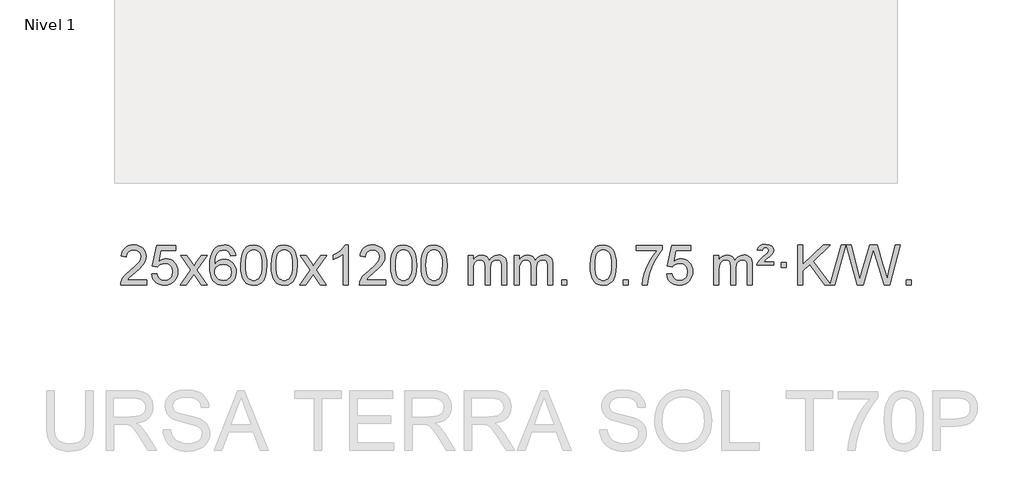
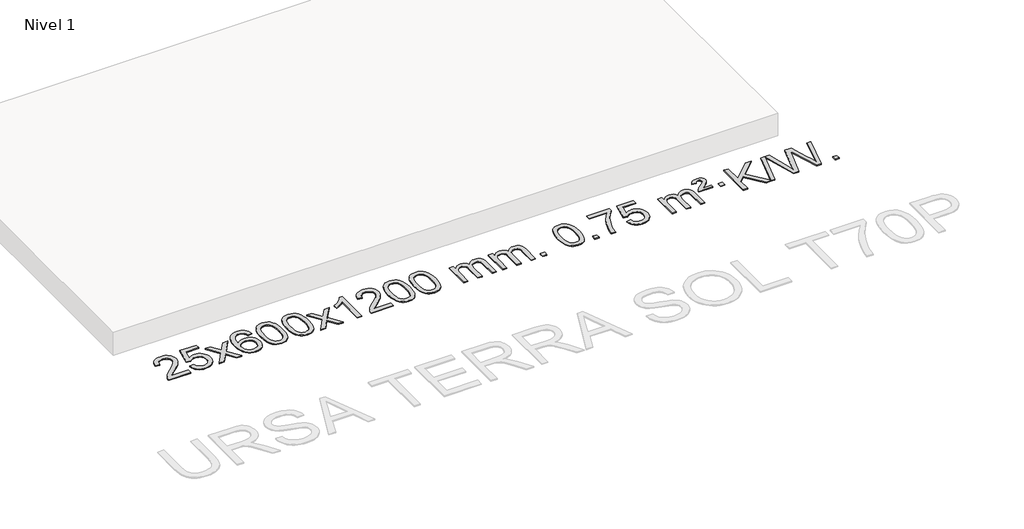
# One storey, part 2 of 2: 1 proxy.
"""IFC4 building model written with IfcOpenShell, lengths in millimetres."""

import ifcopenshell
import ifcopenshell.guid

model = None  # the IFC model being written
_history = None  # IfcOwnerHistory: only IFC2X3 demands one
_inside = {}  # id of a spatial element -> (the spatial element, [elements in it])
_under = {}  # id of a project, library or spatial element -> (it, [spatial elements below it])
_declared = {}  # id of a project -> (the project, [libraries it declares])
_typed = {}  # id of a type object -> (the type object, [elements of that type])
_made_of = {}  # id of a material, layer set ... -> (it, [elements and type objects made of it])


def new_model(schema):
    """Start an empty IFC model of exactly this schema.

    Asked for "IFC4X3", IfcOpenShell would pick the latest addendum, in which some entities
    have other attributes; the version numbers below select the first issue.
    IFC2X3 requires an IfcOwnerHistory on every rooted entity: one is made here for all.
    """
    global model, _history
    if schema == "IFC4X3":
        model = ifcopenshell.file(schema_version=(4, 3, 0, 0))
    else:
        model = ifcopenshell.file(schema=schema)
    _inside.clear()
    _under.clear()
    _declared.clear()
    _typed.clear()
    _made_of.clear()
    _history = None
    if model.schema == "IFC2X3":
        org = make("IfcOrganization", Name="unknown")
        user = make(
            "IfcPersonAndOrganization",
            ThePerson=make("IfcPerson", FamilyName="unknown"),
            TheOrganization=org,
        )
        app = make(
            "IfcApplication",
            ApplicationDeveloper=org,
            Version="unknown",
            ApplicationFullName="unknown",
            ApplicationIdentifier="unknown",
        )
        _history = make(
            "IfcOwnerHistory",
            OwningUser=user,
            OwningApplication=app,
            ChangeAction="ADDED",
            CreationDate=0,
        )
    return model


def make(cls, **values):
    """One entity of the class cls with the attributes given. An attribute that is None is left unset."""
    return model.create_entity(
        cls, **{name: value for name, value in values.items() if value is not None}
    )


def rooted(cls, **values):
    """An entity with a GlobalId (a new one), such as an element, a storey or a relation."""
    return make(cls, GlobalId=ifcopenshell.guid.new(), OwnerHistory=_history, **values)


def si_unit(unit_type, name, prefix=None):
    """IfcSIUnit, for example si_unit("LENGTHUNIT", "METRE", prefix="MILLI")."""
    return make("IfcSIUnit", UnitType=unit_type, Prefix=prefix, Name=name)


def assignment(units):
    """IfcUnitAssignment: the units of a project."""
    return None if units is None else make("IfcUnitAssignment", Units=units)


def point(xyz):
    """IfcCartesianPoint."""
    return None if xyz is None else make("IfcCartesianPoint", Coordinates=xyz)


def direction(xyz):
    """IfcDirection."""
    return None if xyz is None else make("IfcDirection", DirectionRatios=xyz)


def frame(location, z_axis=None, x_axis=None):
    """IfcAxis2Placement3D, a coordinate frame: its origin and axes. An axis left out is left unset."""
    return make(
        "IfcAxis2Placement3D",
        Location=point(location),
        Axis=direction(z_axis),
        RefDirection=direction(x_axis),
    )


def origin():
    """The frame at (0, 0, 0) with its axes left unset."""
    return frame((0.0, 0.0, 0.0))


def origin_with_axes():
    """The frame at (0, 0, 0) with the z axis (0, 0, 1) and the x axis (1, 0, 0) written out."""
    return frame((0.0, 0.0, 0.0), z_axis=(0.0, 0.0, 1.0), x_axis=(1.0, 0.0, 0.0))


def place(relative_to, where):
    """IfcLocalPlacement: puts the frame where relative to a parent placement (None: the world)."""
    return make(
        "IfcLocalPlacement", PlacementRelTo=relative_to, RelativePlacement=where
    )


def context(
    kind, dimensions, precision=None, world=None, true_north=None, identifier=None
):
    """IfcGeometricRepresentationContext, for example the 3D "Model" context."""
    return make(
        "IfcGeometricRepresentationContext",
        ContextIdentifier=identifier,
        ContextType=kind,
        CoordinateSpaceDimension=dimensions,
        Precision=precision,
        WorldCoordinateSystem=world,
        TrueNorth=true_north,
    )


def project(units=None, contexts=None):
    """IfcProject with its units and contexts."""
    return rooted(
        "IfcProject",
        Name="project",
        RepresentationContexts=contexts,
        UnitsInContext=assignment(units),
    )


def spatial(cls, under=None, at=None, **own):
    """A site, building, storey or space (cls), placed at a placement, below another one or the project."""
    s = rooted(cls, ObjectPlacement=at, **own)
    if under is not None:
        _under.setdefault(under.id(), (under, []))[1].append(s)
    return s


def polyline(points):
    """IfcPolyline through the points."""
    return make("IfcPolyline", Points=[point(p) for p in points])


def outline(outer, holes=None, kind="AREA"):
    """IfcArbitraryClosedProfileDef: a profile drawn as a closed curve; with holes, ...WithVoids."""
    if holes is None:
        return make("IfcArbitraryClosedProfileDef", ProfileType=kind, OuterCurve=outer)
    return make(
        "IfcArbitraryProfileDefWithVoids",
        ProfileType=kind,
        OuterCurve=outer,
        InnerCurves=holes,
    )


def extrude(swept, where, along, depth):
    """IfcExtrudedAreaSolid: the profile swept, set in the frame where, extruded along a direction by depth."""
    return make(
        "IfcExtrudedAreaSolid",
        SweptArea=swept,
        Position=where,
        ExtrudedDirection=direction(along),
        Depth=depth,
    )


def shape(context_of_items, identifier, shape_type, items):
    """IfcShapeRepresentation: the items that make up one representation, for example the "Body"."""
    return make(
        "IfcShapeRepresentation",
        ContextOfItems=context_of_items,
        RepresentationIdentifier=identifier,
        RepresentationType=shape_type,
        Items=items,
    )


def made_of(thing, what):
    """Note that an element or type object is made of a material, layer set ...; save() writes the relation."""
    if what is not None:
        _made_of.setdefault(what.id(), (what, []))[1].append(thing)
    return thing


def element(
    cls,
    number,
    at=None,
    inside=None,
    cuts=None,
    type_object=None,
    material=None,
    context=None,
    identifier="Body",
    shape_type=None,
    held_by="IfcProductDefinitionShape",
    body=None,
    shapes=None,
    **own,
):
    """One element of the class cls, such as IfcWall. Its Tag is "e" and its number.

    at: its placement. inside: the storey or other place that contains it. cuts: it is an
    opening in that element (IfcRelVoidsElement). A single representation is given by context,
    identifier, shape_type and body (its items); several are given by shapes. held_by: the class
    of the entity that holds the representations. save() writes the other relations.
    """
    e = rooted(cls, Tag="e%d" % number, ObjectPlacement=at, **own)
    if body is not None:
        shapes = [shape(context, identifier, shape_type, body)]
    if shapes is not None:
        e.Representation = make(held_by, Representations=shapes)
    if inside is not None:
        _inside.setdefault(inside.id(), (inside, []))[1].append(e)
    if cuts is not None:
        rooted(
            "IfcRelVoidsElement", RelatingBuildingElement=cuts, RelatedOpeningElement=e
        )
    if type_object is not None:
        _typed.setdefault(type_object.id(), (type_object, []))[1].append(e)
    return made_of(e, material)


def aggregate(whole, parts):
    """IfcRelAggregates: a whole, such as a stair, and the parts it consists of."""
    return rooted("IfcRelAggregates", RelatingObject=whole, RelatedObjects=parts)


def save(model, path):
    """Write the relations noted so far, then the file.

    IfcRelAggregates (storeys below a building ...), IfcRelContainedInSpatialStructure (elements
    in a storey), IfcRelDefinesByType, IfcRelAssociatesMaterial and IfcRelDeclares: one each for
    every whole, place, type object, material and project.
    """
    for whole, parts in _under.values():
        aggregate(whole, parts)
    for where, things in _inside.values():
        rooted(
            "IfcRelContainedInSpatialStructure",
            RelatedElements=things,
            RelatingStructure=where,
        )
    for kind, things in _typed.values():
        rooted("IfcRelDefinesByType", RelatedObjects=things, RelatingType=kind)
    for what, things in _made_of.values():
        rooted("IfcRelAssociatesMaterial", RelatedObjects=things, RelatingMaterial=what)
    for by, libraries in _declared.values():
        rooted("IfcRelDeclares", RelatingContext=by, RelatedDefinitions=libraries)
    model.write(path)


model = new_model("IFC4")

# Units and contexts
model_context = context("Model", 3, world=origin())
ifc_project = project(units=[si_unit("LENGTHUNIT", "METRE", prefix="MILLI")], contexts=[model_context])

# Site, building, storey
site = spatial("IfcSite", under=ifc_project)
building = spatial("IfcBuilding", under=site)
storey = spatial("IfcBuildingStorey", under=building, Name="Nivel 1", Elevation=0.0)

# Proxy
placement = place(None, origin())
element("IfcBuildingElementProxy", 1, Name="Texto de modelo 1", ObjectType="Texto de modelo 1", at=placement, inside=storey, context=model_context, shape_type="SweptSolid", body=[
    extrude(outline(polyline([(-19334.7371779, -12702.6823659), (-19334.7371779, -12752.910521), (-19598.434992, -12752.910521), (-19597.331346, -12735.2276597), (-19593.0393894, -12718.2805625), (-19580.6540289, -12691.2167104), (-19562.5297093, -12664.9621987), (-19536.3119857, -12637.4814136), (-19499.6464136, -12606.7387415), (-19445.4451329, -12558.5952511), (-19412.9243646, -12523.0578504), (-19396.6639804, -12494.215902), (-19391.2438523, -12466.1587685), (-19396.357412, -12441.0079027), (-19411.6980912, -12420.0999427), (-19435.2793271, -12406.0100622), (-19465.1145569, -12401.3134354), (-19496.4458402, -12405.8996976), (-19520.7873655, -12419.6584843), (-19536.4959267, -12441.5106748), (-19541.9283175, -12470.3771487), (-19592.1564726, -12464.0986293), (-19587.8369248, -12438.16908), (-19579.9795786, -12415.5136805), (-19568.5844338, -12396.1324307), (-19553.6514904, -12380.0253307), (-19535.5241051, -12367.3640587), (-19514.5456344, -12358.3202929), (-19490.7160781, -12352.8940335), (-19464.0354364, -12351.0852804), (-19437.1156714, -12353.0963686), (-19413.1573565, -12359.1296333), (-19392.1604916, -12369.1850745), (-19374.1250768, -12383.2626922), (-19359.6397232, -12400.3201541), (-19349.2930421, -12419.3151277), (-19343.0850335, -12440.2476133), (-19341.0156972, -12463.1176106), (-19343.2475147, -12487.1403049), (-19349.942967, -12510.7460663), (-19361.8255554, -12534.7564978), (-19379.6187813, -12559.9932027), (-19407.9824831, -12590.1227381), (-19451.5764995, -12628.8116613), (-19509.3584982, -12677.12683), (-19532.0200291, -12702.6823659), (-19334.7371779, -12702.6823659)])), origin_with_axes(), (0.0, 0.0, 1.0), 10.0),
    extrude(outline(polyline([(-19284.5090228, -12646.1756914), (-19234.2808677, -12639.897172), (-19225.0592924, -12670.0512329), (-19208.9705864, -12691.645906), (-19186.0883263, -12704.6321405), (-19156.4860885, -12708.9608853), (-19137.3562247, -12707.4556348), (-19120.4827039, -12702.9398833), (-19105.8655259, -12695.4136308), (-19093.5046909, -12684.8768773), (-19083.6761102, -12671.850789), (-19076.6556955, -12656.856532), (-19071.0393637, -12620.963512), (-19076.3000762, -12587.1674194), (-19082.8759669, -12573.2492173), (-19092.0822138, -12561.3175779), (-19103.9494739, -12551.7465146), (-19118.5084038, -12544.9100409), (-19155.7012735, -12539.4408619), (-19180.0673243, -12541.6236284), (-19199.798062, -12548.1719279), (-19215.5556741, -12558.2028437), (-19228.0023483, -12570.8334588), (-19278.2305034, -12564.5549394), (-19234.2808677, -12357.3637998), (-19039.6467668, -12357.3637998), (-19039.6467668, -12407.5919548), (-19193.6666954, -12407.5919548), (-19215.151004, -12518.250859), (-19197.4252232, -12505.5466674), (-19179.2702467, -12496.4722449), (-19160.6860746, -12491.0275913), (-19141.6727068, -12489.2127068), (-19117.2116198, -12491.4629184), (-19094.7432269, -12498.213553), (-19074.2675282, -12509.4646107), (-19055.7845236, -12525.2160914), (-19040.4836983, -12544.5053707), (-19029.5545374, -12566.3698239), (-19022.9970408, -12590.8094512), (-19020.8112086, -12617.8242523), (-19022.7793773, -12643.8457721), (-19028.6838833, -12668.0524074), (-19038.5247267, -12690.4441582), (-19052.3019074, -12711.0210244), (-19073.1730793, -12732.0945314), (-19097.5268674, -12747.1470364), (-19125.3632717, -12756.1785394), (-19156.6822922, -12759.1890403), (-19182.6026444, -12757.2545942), (-19206.0152677, -12751.4512557), (-19226.9201621, -12741.7790249), (-19245.3173276, -12728.2379018), (-19260.6242842, -12711.5023367), (-19272.2585523, -12692.24678), (-19280.2201318, -12670.4712315), (-19284.5090228, -12646.1756914)])), origin_with_axes(), (0.0, 0.0, 1.0), 10.0),
    extrude(outline(polyline([(-18995.6971311, -12752.910521), (-18888.3736904, -12604.5805005), (-18989.4186117, -12457.8201099), (-18928.9878626, -12457.8201099), (-18880.2312355, -12528.453453), (-18857.4716028, -12561.8080872), (-18837.7531278, -12534.5357686), (-18782.227472, -12457.8201099), (-18721.796723, -12457.8201099), (-18827.9429413, -12604.5805005), (-18725.7207976, -12752.910521), (-18786.1515466, -12752.910521), (-18847.6614162, -12663.7359253), (-18858.9431308, -12647.4510157), (-18935.266382, -12752.910521), (-18995.6971311, -12752.910521)])), origin_with_axes(), (0.0, 0.0, 1.0), 10.0),
    extrude(outline(polyline([(-18436.9089059, -12457.8201099), (-18487.137061, -12464.0986293), (-18495.2304649, -12439.2052809), (-18506.1688228, -12422.2091328), (-18528.9529811, -12406.5373598), (-18556.4950798, -12401.3134354), (-18579.8433237, -12404.3545933), (-18601.8181416, -12413.4780667), (-18620.6904879, -12432.6937696), (-18636.1047435, -12459.1444851), (-18646.515804, -12496.558084), (-18650.378565, -12548.6624372), (-18630.2308944, -12525.1547778), (-18606.0855727, -12508.5878252), (-18579.2915008, -12498.765376), (-18551.1975791, -12495.4912262), (-18527.0645202, -12497.729175), (-18504.7953967, -12504.4430214), (-18484.3902087, -12515.6327654), (-18465.8489562, -12531.2984071), (-18450.4408319, -12550.5079786), (-18439.4350289, -12572.3295123), (-18432.8315471, -12596.7630081), (-18430.6303865, -12623.8084661), (-18434.7751903, -12659.7750625), (-18447.2096018, -12693.117434), (-18466.9035512, -12721.3952967), (-18492.8269692, -12742.1683667), (-18523.8026332, -12754.9338719), (-18558.6533208, -12759.1890403), (-18588.5958496, -12756.3686117), (-18615.6382419, -12747.9073258), (-18639.7804978, -12733.8051827), (-18661.0226174, -12714.0621823), (-18678.3406623, -12687.8444588), (-18690.7106944, -12654.3181463), (-18698.1327136, -12613.4832448), (-18700.60672, -12565.3397544), (-18697.8598678, -12511.3653343), (-18689.6193111, -12465.3003771), (-18675.88505, -12427.1448829), (-18656.6570843, -12396.8988515), (-18635.8165693, -12376.8554141), (-18611.6528536, -12362.5386731), (-18584.1659372, -12353.9486286), (-18553.3558201, -12351.0852804), (-18530.222174, -12352.8572453), (-18509.2835571, -12358.1731401), (-18490.5399694, -12367.0329649), (-18473.991411, -12379.4367195), (-18460.0854716, -12394.967471), (-18449.2697409, -12413.2082866), (-18441.544219, -12434.1591662), (-18436.9089059, -12457.8201099)]), holes=[polyline([(-18650.378565, -12623.0236512), (-18647.4722972, -12645.2805119), (-18638.7534939, -12666.5318285), (-18625.2154365, -12684.8033009), (-18607.8514063, -12698.1206291), (-18586.8943953, -12706.2508212), (-18562.5773954, -12708.9608853), (-18529.4312277, -12703.3445535), (-18515.5160912, -12696.3241387), (-18503.3729197, -12686.4955581), (-18493.5228793, -12674.2573504), (-18486.4871361, -12660.0080544), (-18480.8585416, -12625.4761978), (-18486.4135597, -12592.3300301), (-18493.3573324, -12578.7091992), (-18503.0786141, -12567.056537), (-18515.2585738, -12557.7215314), (-18529.5783805, -12551.0536702), (-18564.6375346, -12545.7193813), (-18597.7346514, -12551.0536702), (-18625.4116402, -12567.056537), (-18636.3346698, -12578.555915), (-18644.1368338, -12591.7168934), (-18648.8181322, -12606.5394721), (-18650.378565, -12623.0236512)])]), origin_with_axes(), (0.0, 0.0, 1.0), 10.0),
    extrude(outline(polyline([(-18386.6807508, -12555.2352622), (-18382.9896681, -12490.9172267), (-18371.9164201, -12439.6222139), (-18353.5713712, -12400.5654087), (-18341.7133083, -12385.3320284), (-18328.0648862, -12372.9619963), (-18312.5801199, -12363.3909331), (-18295.2130241, -12356.5544594), (-18254.8318437, -12351.0852804), (-18223.8807052, -12354.3226419), (-18196.1669282, -12364.0347266), (-18172.9903625, -12379.8413897), (-18155.6508578, -12401.3624864), (-18142.5542588, -12428.4140758), (-18132.1064102, -12460.8122168), (-18125.263805, -12501.9536866), (-18122.9829367, -12555.2352622), (-18126.6372312, -12619.1854157), (-18137.6001146, -12670.3578012), (-18155.8347988, -12709.4513946), (-18167.6652707, -12724.7307601), (-18181.3044956, -12737.1651716), (-18196.8076561, -12746.8006142), (-18214.2299342, -12753.6830732), (-18254.8318437, -12759.1890403), (-18282.4965698, -12756.7978074), (-18307.0220361, -12749.6241085), (-18328.4082428, -12737.6679436), (-18346.6551897, -12720.9293129), (-18364.1663727, -12690.6710187), (-18376.6743605, -12652.9692456), (-18384.1791532, -12607.8239934), (-18386.6807508, -12555.2352622)]), holes=[polyline([(-18336.4525957, -12555.1371604), (-18334.9810678, -12598.8016875), (-18330.5664838, -12634.1459502), (-18323.2088439, -12661.1699484), (-18312.908148, -12679.8736822), (-18300.4492111, -12692.5993335), (-18286.6168481, -12701.6890845), (-18271.411059, -12707.1429351), (-18254.8318437, -12708.9608853), (-18238.2526285, -12707.1368037), (-18223.0468394, -12701.664559), (-18209.2144763, -12692.5441512), (-18196.7555394, -12679.7755803), (-18186.4548436, -12661.0411897), (-18179.0972037, -12634.0233229), (-18174.6826197, -12598.7219797), (-18173.2110917, -12555.1371604), (-18174.6335688, -12512.6283958), (-18178.9009999, -12477.9064668), (-18186.0133852, -12450.9713734), (-18195.9707245, -12431.8231156), (-18208.221195, -12418.4751305), (-18222.2129735, -12408.9408555), (-18237.9460602, -12403.2202904), (-18255.4204549, -12401.3134354), (-18271.9138311, -12402.9934299), (-18286.8621028, -12408.0334132), (-18300.2652701, -12416.4333854), (-18312.1233331, -12428.1933466), (-18322.7673855, -12449.0399929), (-18330.3702801, -12477.1461774), (-18334.9320168, -12512.5118998), (-18336.4525957, -12555.1371604)])]), origin_with_axes(), (0.0, 0.0, 1.0), 10.0),
    extrude(outline(polyline([(-18079.033301, -12555.2352622), (-18075.3422183, -12490.9172267), (-18064.2689702, -12439.6222139), (-18045.9239214, -12400.5654087), (-18034.0658584, -12385.3320284), (-18020.4174364, -12372.9619963), (-18004.9326701, -12363.3909331), (-17987.5655742, -12356.5544594), (-17947.1843939, -12351.0852804), (-17916.2332554, -12354.3226419), (-17888.5194784, -12364.0347266), (-17865.3429127, -12379.8413897), (-17848.003408, -12401.3624864), (-17834.906809, -12428.4140758), (-17824.4589603, -12460.8122168), (-17817.6163552, -12501.9536866), (-17815.3354868, -12555.2352622), (-17818.9897813, -12619.1854157), (-17829.9526648, -12670.3578012), (-17848.187349, -12709.4513946), (-17860.0178208, -12724.7307601), (-17873.6570458, -12737.1651716), (-17889.1602062, -12746.8006142), (-17906.5824844, -12753.6830732), (-17947.1843939, -12759.1890403), (-17974.8491199, -12756.7978074), (-17999.3745863, -12749.6241085), (-18020.7607929, -12737.6679436), (-18039.0077399, -12720.9293129), (-18056.5189229, -12690.6710187), (-18069.0269107, -12652.9692456), (-18076.5317034, -12607.8239934), (-18079.033301, -12555.2352622)]), holes=[polyline([(-18028.8051459, -12555.1371604), (-18027.3336179, -12598.8016875), (-18022.919034, -12634.1459502), (-18015.5613941, -12661.1699484), (-18005.2606982, -12679.8736822), (-17992.8017613, -12692.5993335), (-17978.9693983, -12701.6890845), (-17963.7636092, -12707.1429351), (-17947.1843939, -12708.9608853), (-17930.6051787, -12707.1368037), (-17915.3993895, -12701.664559), (-17901.5670265, -12692.5441512), (-17889.1080896, -12679.7755803), (-17878.8073937, -12661.0411897), (-17871.4497538, -12634.0233229), (-17867.0351699, -12598.7219797), (-17865.5636419, -12555.1371604), (-17866.986119, -12512.6283958), (-17871.2535501, -12477.9064668), (-17878.3659353, -12450.9713734), (-17888.3232747, -12431.8231156), (-17900.5737451, -12418.4751305), (-17914.5655237, -12408.9408555), (-17930.2986103, -12403.2202904), (-17947.7730051, -12401.3134354), (-17964.2663812, -12402.9934299), (-17979.214653, -12408.0334132), (-17992.6178203, -12416.4333854), (-18004.4758833, -12428.1933466), (-18015.1199357, -12449.0399929), (-18022.7228303, -12477.1461774), (-18027.284567, -12512.5118998), (-18028.8051459, -12555.1371604)])]), origin_with_axes(), (0.0, 0.0, 1.0), 10.0),
    extrude(outline(polyline([(-17790.2214093, -12752.910521), (-17682.8979686, -12604.5805005), (-17783.9428899, -12457.8201099), (-17723.5121408, -12457.8201099), (-17674.7555137, -12528.453453), (-17651.995881, -12561.8080872), (-17632.277406, -12534.5357686), (-17576.7517502, -12457.8201099), (-17516.3210012, -12457.8201099), (-17622.4672195, -12604.5805005), (-17520.2450758, -12752.910521), (-17580.6758248, -12752.910521), (-17642.1856944, -12663.7359253), (-17653.467409, -12647.4510157), (-17729.7906602, -12752.910521), (-17790.2214093, -12752.910521)])), origin_with_axes(), (0.0, 0.0, 1.0), 10.0),
    extrude(outline(polyline([(-17300.4968973, -12752.910521), (-17350.7250524, -12752.910521), (-17350.7250524, -12439.7693667), (-17371.6943261, -12456.7287266), (-17398.3044571, -12473.6635612), (-17451.1813625, -12499.0228934), (-17451.1813625, -12451.5415905), (-17411.7321499, -12430.0818075), (-17377.5559126, -12404.550797), (-17350.6146878, -12377.4011058), (-17332.8705129, -12351.0852804), (-17300.4968973, -12351.0852804), (-17300.4968973, -12752.910521)])), origin_with_axes(), (0.0, 0.0, 1.0), 10.0),
    extrude(outline(polyline([(-16923.7857343, -12702.6823659), (-16923.7857343, -12752.910521), (-17187.4835484, -12752.910521), (-17186.3799024, -12735.2276597), (-17182.0879458, -12718.2805625), (-17169.7025853, -12691.2167104), (-17151.5782657, -12664.9621987), (-17125.3605422, -12637.4814136), (-17088.69497, -12606.7387415), (-17034.4936893, -12558.5952511), (-17001.972921, -12523.0578504), (-16985.7125368, -12494.215902), (-16980.2924087, -12466.1587685), (-16985.4059685, -12441.0079027), (-17000.7466477, -12420.0999427), (-17024.3278835, -12406.0100622), (-17054.1631134, -12401.3134354), (-17085.4943966, -12405.8996976), (-17109.835922, -12419.6584843), (-17125.5444831, -12441.5106748), (-17130.9768739, -12470.3771487), (-17181.205029, -12464.0986293), (-17176.8854813, -12438.16908), (-17169.028135, -12415.5136805), (-17157.6329902, -12396.1324307), (-17142.7000469, -12380.0253307), (-17124.5726615, -12367.3640587), (-17103.5941908, -12358.3202929), (-17079.7646345, -12352.8940335), (-17053.0839928, -12351.0852804), (-17026.1642278, -12353.0963686), (-17002.2059129, -12359.1296333), (-16981.209048, -12369.1850745), (-16963.1736332, -12383.2626922), (-16948.6882797, -12400.3201541), (-16938.3415985, -12419.3151277), (-16932.1335899, -12440.2476133), (-16930.0642536, -12463.1176106), (-16932.2960711, -12487.1403049), (-16938.9915234, -12510.7460663), (-16950.8741118, -12534.7564978), (-16968.6673377, -12559.9932027), (-16997.0310395, -12590.1227381), (-17040.6250559, -12628.8116613), (-17098.4070546, -12677.12683), (-17121.0685855, -12702.6823659), (-16923.7857343, -12702.6823659)])), origin_with_axes(), (0.0, 0.0, 1.0), 10.0),
    extrude(outline(polyline([(-16873.5575792, -12555.2352622), (-16869.8664965, -12490.9172267), (-16858.7932484, -12439.6222139), (-16840.4481996, -12400.5654087), (-16828.5901366, -12385.3320284), (-16814.9417146, -12372.9619963), (-16799.4569483, -12363.3909331), (-16782.0898525, -12356.5544594), (-16741.7086721, -12351.0852804), (-16710.7575336, -12354.3226419), (-16683.0437566, -12364.0347266), (-16659.8671909, -12379.8413897), (-16642.5276862, -12401.3624864), (-16629.4310872, -12428.4140758), (-16618.9832385, -12460.8122168), (-16612.1406334, -12501.9536866), (-16609.859765, -12555.2352622), (-16613.5140595, -12619.1854157), (-16624.476943, -12670.3578012), (-16642.7116272, -12709.4513946), (-16654.542099, -12724.7307601), (-16668.181324, -12737.1651716), (-16683.6844844, -12746.8006142), (-16701.1067626, -12753.6830732), (-16741.7086721, -12759.1890403), (-16769.3733982, -12756.7978074), (-16793.8988645, -12749.6241085), (-16815.2850712, -12737.6679436), (-16833.5320181, -12720.9293129), (-16851.0432011, -12690.6710187), (-16863.5511889, -12652.9692456), (-16871.0559816, -12607.8239934), (-16873.5575792, -12555.2352622)]), holes=[polyline([(-16823.3294241, -12555.1371604), (-16821.8578961, -12598.8016875), (-16817.4433122, -12634.1459502), (-16810.0856723, -12661.1699484), (-16799.7849764, -12679.8736822), (-16787.3260395, -12692.5993335), (-16773.4936765, -12701.6890845), (-16758.2878874, -12707.1429351), (-16741.7086721, -12708.9608853), (-16725.1294569, -12707.1368037), (-16709.9236677, -12701.664559), (-16696.0913047, -12692.5441512), (-16683.6323678, -12679.7755803), (-16673.3316719, -12661.0411897), (-16665.974032, -12634.0233229), (-16661.5594481, -12598.7219797), (-16660.0879201, -12555.1371604), (-16661.5103972, -12512.6283958), (-16665.7778283, -12477.9064668), (-16672.8902136, -12450.9713734), (-16682.8475529, -12431.8231156), (-16695.0980233, -12418.4751305), (-16709.0898019, -12408.9408555), (-16724.8228885, -12403.2202904), (-16742.2972833, -12401.3134354), (-16758.7906594, -12402.9934299), (-16773.7389312, -12408.0334132), (-16787.1420985, -12416.4333854), (-16799.0001615, -12428.1933466), (-16809.6442139, -12449.0399929), (-16817.2471085, -12477.1461774), (-16821.8088452, -12512.5118998), (-16823.3294241, -12555.1371604)])]), origin_with_axes(), (0.0, 0.0, 1.0), 10.0),
    extrude(outline(polyline([(-16565.9101294, -12555.2352622), (-16562.2190467, -12490.9172267), (-16551.1457986, -12439.6222139), (-16532.8007498, -12400.5654087), (-16520.9426868, -12385.3320284), (-16507.2942648, -12372.9619963), (-16491.8094985, -12363.3909331), (-16474.4424026, -12356.5544594), (-16434.0612223, -12351.0852804), (-16403.1100838, -12354.3226419), (-16375.3963068, -12364.0347266), (-16352.2197411, -12379.8413897), (-16334.8802364, -12401.3624864), (-16321.7836374, -12428.4140758), (-16311.3357887, -12460.8122168), (-16304.4931836, -12501.9536866), (-16302.2123152, -12555.2352622), (-16305.8666097, -12619.1854157), (-16316.8294932, -12670.3578012), (-16335.0641774, -12709.4513946), (-16346.8946492, -12724.7307601), (-16360.5338742, -12737.1651716), (-16376.0370346, -12746.8006142), (-16393.4593127, -12753.6830732), (-16434.0612223, -12759.1890403), (-16461.7259483, -12756.7978074), (-16486.2514147, -12749.6241085), (-16507.6376213, -12737.6679436), (-16525.8845683, -12720.9293129), (-16543.3957512, -12690.6710187), (-16555.9037391, -12652.9692456), (-16563.4085318, -12607.8239934), (-16565.9101294, -12555.2352622)]), holes=[polyline([(-16515.6819743, -12555.1371604), (-16514.2104463, -12598.8016875), (-16509.7958624, -12634.1459502), (-16502.4382225, -12661.1699484), (-16492.1375266, -12679.8736822), (-16479.6785897, -12692.5993335), (-16465.8462267, -12701.6890845), (-16450.6404375, -12707.1429351), (-16434.0612223, -12708.9608853), (-16417.482007, -12707.1368037), (-16402.2762179, -12701.664559), (-16388.4438549, -12692.5441512), (-16375.984918, -12679.7755803), (-16365.6842221, -12661.0411897), (-16358.3265822, -12634.0233229), (-16353.9119983, -12598.7219797), (-16352.4404703, -12555.1371604), (-16353.8629473, -12512.6283958), (-16358.1303785, -12477.9064668), (-16365.2427637, -12450.9713734), (-16375.2001031, -12431.8231156), (-16387.4505735, -12418.4751305), (-16401.442352, -12408.9408555), (-16417.1754387, -12403.2202904), (-16434.6498335, -12401.3134354), (-16451.1432096, -12402.9934299), (-16466.0914813, -12408.0334132), (-16479.4946487, -12416.4333854), (-16491.3527117, -12428.1933466), (-16501.9967641, -12449.0399929), (-16509.5996586, -12477.1461774), (-16514.1613954, -12512.5118998), (-16515.6819743, -12555.1371604)])]), origin_with_axes(), (0.0, 0.0, 1.0), 10.0),
    extrude(outline(polyline([(-16088.7426561, -12752.910521), (-16088.7426561, -12457.8201099), (-16038.5145011, -12457.8201099), (-16038.5145011, -12506.3805333), (-16023.4068138, -12484.0746216), (-16003.9826445, -12466.6002269), (-15980.9041806, -12455.3062496), (-15954.8336099, -12451.5415905), (-15926.8991037, -12455.379826), (-15904.507353, -12466.8945324), (-15887.7809849, -12485.3254204), (-15876.8426269, -12509.9122004), (-15858.5343663, -12484.3750586), (-15837.6509317, -12466.134243), (-15814.1923231, -12455.1897536), (-15788.1585406, -12451.5415905), (-15768.0507239, -12453.0591037), (-15750.4015852, -12457.6116434), (-15735.2111245, -12465.1992096), (-15722.4793417, -12475.8218022), (-15712.4147035, -12489.6020486), (-15705.2256762, -12506.6625761), (-15700.9122598, -12527.0033848), (-15699.4744543, -12550.6244745), (-15699.4744543, -12752.910521), (-15749.7026094, -12752.910521), (-15749.7026094, -12572.2068849), (-15750.867569, -12547.1541211), (-15754.362448, -12530.2683375), (-15760.9107475, -12518.7045801), (-15771.2359688, -12509.6178948), (-15784.5165089, -12503.7317829), (-15799.9307645, -12501.7697456), (-15827.1417694, -12506.7974662), (-15849.3250537, -12521.880628), (-15857.9304267, -12533.4505167), (-15864.0771217, -12548.0493006), (-15868.9944777, -12586.3335535), (-15868.9944777, -12752.910521), (-15919.2226328, -12752.910521), (-15919.2226328, -12566.6150786), (-15922.1289005, -12538.2145886), (-15930.8477038, -12517.9565534), (-15946.188383, -12505.8164475), (-15968.9602785, -12501.7697456), (-15988.3108715, -12504.4675469), (-16006.1408855, -12512.5609508), (-16020.8561653, -12525.8537535), (-16030.8625556, -12544.1497514), (-16036.6015147, -12569.5336091), (-16038.5145011, -12604.0899912), (-16038.5145011, -12752.910521), (-16088.7426561, -12752.910521)])), origin_with_axes(), (0.0, 0.0, 1.0), 10.0),
    extrude(outline(polyline([(-15624.1322217, -12752.910521), (-15624.1322217, -12457.8201099), (-15573.9040666, -12457.8201099), (-15573.9040666, -12506.3805333), (-15558.7963794, -12484.0746216), (-15539.37221, -12466.6002269), (-15516.2937462, -12455.3062496), (-15490.2231755, -12451.5415905), (-15462.2886693, -12455.379826), (-15439.8969185, -12466.8945324), (-15423.1705505, -12485.3254204), (-15412.2321925, -12509.9122004), (-15393.9239319, -12484.3750586), (-15373.0404973, -12466.134243), (-15349.5818887, -12455.1897536), (-15323.5481062, -12451.5415905), (-15303.4402895, -12453.0591037), (-15285.7911507, -12457.6116434), (-15270.60069, -12465.1992096), (-15257.8689073, -12475.8218022), (-15247.8042691, -12489.6020486), (-15240.6152417, -12506.6625761), (-15236.3018253, -12527.0033848), (-15234.8640199, -12550.6244745), (-15234.8640199, -12752.910521), (-15285.0921749, -12752.910521), (-15285.0921749, -12572.2068849), (-15286.2571346, -12547.1541211), (-15289.7520136, -12530.2683375), (-15296.3003131, -12518.7045801), (-15306.6255344, -12509.6178948), (-15319.9060744, -12503.7317829), (-15335.32033, -12501.7697456), (-15362.5313349, -12506.7974662), (-15384.7146192, -12521.880628), (-15393.3199922, -12533.4505167), (-15399.4666872, -12548.0493006), (-15404.3840432, -12586.3335535), (-15404.3840432, -12752.910521), (-15454.6121983, -12752.910521), (-15454.6121983, -12566.6150786), (-15457.5184661, -12538.2145886), (-15466.2372694, -12517.9565534), (-15481.5779486, -12505.8164475), (-15504.3498441, -12501.7697456), (-15523.700437, -12504.4675469), (-15541.5304511, -12512.5609508), (-15556.2457309, -12525.8537535), (-15566.2521211, -12544.1497514), (-15571.9910803, -12569.5336091), (-15573.9040666, -12604.0899912), (-15573.9040666, -12752.910521), (-15624.1322217, -12752.910521)])), origin_with_axes(), (0.0, 0.0, 1.0), 10.0),
    extrude(outline(polyline([(-15146.9647485, -12752.910521), (-15146.9647485, -12702.6823659), (-15096.7365934, -12702.6823659), (-15096.7365934, -12752.910521), (-15146.9647485, -12752.910521)])), origin_with_axes(), (0.0, 0.0, 1.0), 10.0),
    extrude(outline(polyline([(-14858.1528568, -12555.2352622), (-14854.4617741, -12490.9172267), (-14843.3885261, -12439.6222139), (-14825.0434772, -12400.5654087), (-14813.1854143, -12385.3320284), (-14799.5369922, -12372.9619963), (-14784.0522259, -12363.3909331), (-14766.6851301, -12356.5544594), (-14726.3039497, -12351.0852804), (-14695.3528112, -12354.3226419), (-14667.6390342, -12364.0347266), (-14644.4624685, -12379.8413897), (-14627.1229638, -12401.3624864), (-14614.0263648, -12428.4140758), (-14603.5785161, -12460.8122168), (-14596.735911, -12501.9536866), (-14594.4550427, -12555.2352622), (-14598.1093372, -12619.1854157), (-14609.0722206, -12670.3578012), (-14627.3069048, -12709.4513946), (-14639.1373767, -12724.7307601), (-14652.7766016, -12737.1651716), (-14668.279762, -12746.8006142), (-14685.7020402, -12753.6830732), (-14726.3039497, -12759.1890403), (-14753.9686758, -12756.7978074), (-14778.4941421, -12749.6241085), (-14799.8803488, -12737.6679436), (-14818.1272957, -12720.9293129), (-14835.6384787, -12690.6710187), (-14848.1464665, -12652.9692456), (-14855.6512592, -12607.8239934), (-14858.1528568, -12555.2352622)]), holes=[polyline([(-14807.9247017, -12555.1371604), (-14806.4531738, -12598.8016875), (-14802.0385898, -12634.1459502), (-14794.6809499, -12661.1699484), (-14784.380254, -12679.8736822), (-14771.9213171, -12692.5993335), (-14758.0889541, -12701.6890845), (-14742.883165, -12707.1429351), (-14726.3039497, -12708.9608853), (-14709.7247345, -12707.1368037), (-14694.5189454, -12701.664559), (-14680.6865823, -12692.5441512), (-14668.2276454, -12679.7755803), (-14657.9269496, -12661.0411897), (-14650.5693097, -12634.0233229), (-14646.1547257, -12598.7219797), (-14644.6831977, -12555.1371604), (-14646.1056748, -12512.6283958), (-14650.3731059, -12477.9064668), (-14657.4854912, -12450.9713734), (-14667.4428305, -12431.8231156), (-14679.6933009, -12418.4751305), (-14693.6850795, -12408.9408555), (-14709.4181662, -12403.2202904), (-14726.8925609, -12401.3134354), (-14743.385937, -12402.9934299), (-14758.3342088, -12408.0334132), (-14771.7373761, -12416.4333854), (-14783.5954391, -12428.1933466), (-14794.2394915, -12449.0399929), (-14801.8423861, -12477.1461774), (-14806.4041228, -12512.5118998), (-14807.9247017, -12555.1371604)])]), origin_with_axes(), (0.0, 0.0, 1.0), 10.0),
    extrude(outline(polyline([(-14525.3913294, -12752.910521), (-14525.3913294, -12702.6823659), (-14475.1631744, -12702.6823659), (-14475.1631744, -12752.910521), (-14525.3913294, -12752.910521)])), origin_with_axes(), (0.0, 0.0, 1.0), 10.0),
    extrude(outline(polyline([(-14393.5424224, -12407.5919548), (-14393.5424224, -12357.3637998), (-14129.8446082, -12357.3637998), (-14129.8446082, -12397.977972), (-14167.4298854, -12445.545114), (-14204.6472806, -12506.0371767), (-14237.4746173, -12573.9359303), (-14261.889719, -12643.7231448), (-14273.8581466, -12695.9378626), (-14280.5290734, -12752.910521), (-14330.7572285, -12752.910521), (-14325.3248377, -12701.1372615), (-14310.7934989, -12639.6028664), (-14287.5556196, -12574.3773887), (-14256.0036071, -12511.5308812), (-14219.1663567, -12454.7176384), (-14180.0727633, -12407.5919548), (-14393.5424224, -12407.5919548)])), origin_with_axes(), (0.0, 0.0, 1.0), 10.0),
    extrude(outline(polyline([(-14085.8949725, -12646.1756914), (-14035.6668175, -12639.897172), (-14026.4452421, -12670.0512329), (-14010.3565362, -12691.645906), (-13987.4742761, -12704.6321405), (-13957.8720382, -12708.9608853), (-13938.7421745, -12707.4556348), (-13921.8686536, -12702.9398833), (-13907.2514757, -12695.4136308), (-13894.8906406, -12684.8768773), (-13885.06206, -12671.850789), (-13878.0416453, -12656.856532), (-13872.4253135, -12620.963512), (-13877.686026, -12587.1674194), (-13884.2619167, -12573.2492173), (-13893.4681636, -12561.3175779), (-13905.3354236, -12551.7465146), (-13919.8943536, -12544.9100409), (-13957.0872233, -12539.4408619), (-13981.4532741, -12541.6236284), (-14001.1840118, -12548.1719279), (-14016.9416239, -12558.2028437), (-14029.3882981, -12570.8334588), (-14079.6164532, -12564.5549394), (-14035.6668175, -12357.3637998), (-13841.0327165, -12357.3637998), (-13841.0327165, -12407.5919548), (-13995.0526452, -12407.5919548), (-14016.5369537, -12518.250859), (-13998.8111729, -12505.5466674), (-13980.6561964, -12496.4722449), (-13962.0720243, -12491.0275913), (-13943.0586565, -12489.2127068), (-13918.5975695, -12491.4629184), (-13896.1291767, -12498.213553), (-13875.653478, -12509.4646107), (-13857.1704734, -12525.2160914), (-13841.8696481, -12544.5053707), (-13830.9404871, -12566.3698239), (-13824.3829906, -12590.8094512), (-13822.1971584, -12617.8242523), (-13824.1653271, -12643.8457721), (-13830.0698331, -12668.0524074), (-13839.9106765, -12690.4441582), (-13853.6878572, -12711.0210244), (-13874.559029, -12732.0945314), (-13898.9128171, -12747.1470364), (-13926.7492214, -12756.1785394), (-13958.0682419, -12759.1890403), (-13983.9885942, -12757.2545942), (-14007.4012175, -12751.4512557), (-14028.3061119, -12741.7790249), (-14046.7032773, -12728.2379018), (-14062.010234, -12711.5023367), (-14073.6445021, -12692.24678), (-14081.6060816, -12670.4712315), (-14085.8949725, -12646.1756914)])), origin_with_axes(), (0.0, 0.0, 1.0), 10.0),
    extrude(outline(polyline([(-13608.7274993, -12752.910521), (-13608.7274993, -12457.8201099), (-13558.4993442, -12457.8201099), (-13558.4993442, -12506.3805333), (-13543.391657, -12484.0746216), (-13523.9674876, -12466.6002269), (-13500.8890238, -12455.3062496), (-13474.8184531, -12451.5415905), (-13446.8839469, -12455.379826), (-13424.4921961, -12466.8945324), (-13407.7658281, -12485.3254204), (-13396.8274701, -12509.9122004), (-13378.5192095, -12484.3750586), (-13357.6357749, -12466.134243), (-13334.1771663, -12455.1897536), (-13308.1433838, -12451.5415905), (-13288.0355671, -12453.0591037), (-13270.3864284, -12457.6116434), (-13255.1959676, -12465.1992096), (-13242.4641849, -12475.8218022), (-13232.3995467, -12489.6020486), (-13225.2105194, -12506.6625761), (-13220.897103, -12527.0033848), (-13219.4592975, -12550.6244745), (-13219.4592975, -12752.910521), (-13269.6874526, -12752.910521), (-13269.6874526, -12572.2068849), (-13270.8524122, -12547.1541211), (-13274.3472912, -12530.2683375), (-13280.8955907, -12518.7045801), (-13291.220812, -12509.6178948), (-13304.501352, -12503.7317829), (-13319.9156076, -12501.7697456), (-13347.1266126, -12506.7974662), (-13369.3098969, -12521.880628), (-13377.9152699, -12533.4505167), (-13384.0619649, -12548.0493006), (-13388.9793209, -12586.3335535), (-13388.9793209, -12752.910521), (-13439.2074759, -12752.910521), (-13439.2074759, -12566.6150786), (-13442.1137437, -12538.2145886), (-13450.832547, -12517.9565534), (-13466.1732262, -12505.8164475), (-13488.9451217, -12501.7697456), (-13508.2957146, -12504.4675469), (-13526.1257287, -12512.5609508), (-13540.8410085, -12525.8537535), (-13550.8473987, -12544.1497514), (-13556.5863579, -12569.5336091), (-13558.4993442, -12604.0899912), (-13558.4993442, -12752.910521), (-13608.7274993, -12752.910521)])), origin_with_axes(), (0.0, 0.0, 1.0), 10.0),
    extrude(outline(polyline([(-13175.5096618, -12551.9979007), (-13171.6836891, -12536.1789749), (-13163.3450305, -12520.3109981), (-13141.8361965, -12495.1723951), (-13109.8795139, -12467.4340927), (-13065.7336744, -12430.057282), (-13058.5967637, -12418.5303128), (-13056.2177935, -12406.709038), (-13058.1062544, -12394.6179831), (-13063.7716371, -12384.8323221), (-13073.1403653, -12378.3575989), (-13086.1388624, -12376.1993579), (-13098.5732739, -12377.8180387), (-13107.4269672, -12382.674081), (-13113.8526394, -12392.140911), (-13119.0029873, -12407.5919548), (-13169.2311424, -12401.3134354), (-13158.3908863, -12376.101256), (-13141.7626201, -12358.5410221), (-13117.9974432, -12348.2403263), (-13085.746455, -12344.806761), (-13049.9637996, -12348.9393021), (-13025.217604, -12361.3369253), (-13010.7966298, -12379.6697114), (-13005.9896384, -12401.607741), (-13010.0853913, -12424.5145266), (-13022.3726499, -12446.1459879), (-13042.9004653, -12465.9625647), (-13079.3698337, -12494.0196982), (-13104.9744206, -12520.6053037), (-13005.9896384, -12520.6053037), (-13005.9896384, -12551.9979007), (-13175.5096618, -12551.9979007)])), origin_with_axes(), (0.0, 0.0, 1.0), 10.0),
    extrude(outline(polyline([(-12930.6474058, -12577.1119782), (-12930.6474058, -12526.8838231), (-12880.4192507, -12526.8838231), (-12880.4192507, -12577.1119782), (-12930.6474058, -12577.1119782)])), origin_with_axes(), (0.0, 0.0, 1.0), 10.0),
    extrude(outline(polyline([(-12489.7776228, -12752.910521), (-12643.2089402, -12550.2320671), (-12710.8992274, -12614.7830945), (-12710.8992274, -12752.910521), (-12761.1273824, -12752.910521), (-12761.1273824, -12351.0852804), (-12710.8992274, -12351.0852804), (-12710.8992274, -12547.7795205), (-12504.8853101, -12351.0852804), (-12434.6443745, -12351.0852804), (-12607.5979631, -12516.2888217), (-12432.9443533, -12746.8660012), (-12321.6310255, -12351.0852804), (-12276.3079637, -12351.0852804), (-12389.3213126, -12752.910521), (-12428.3658551, -12752.910521), (-12434.6443745, -12752.910521), (-12489.7776228, -12752.910521)])), origin_with_axes(), (0.0, 0.0, 1.0), 10.0),
    extrude(outline(polyline([(-12161.8230868, -12752.910521), (-12271.4028705, -12351.0852804), (-12219.6050855, -12351.0852804), (-12156.0350768, -12615.175502), (-12136.4147037, -12696.6981521), (-12115.4209045, -12624.593281), (-12035.7621898, -12351.0852804), (-11961.1066703, -12351.0852804), (-11903.2265697, -12549.3491503), (-11878.4313232, -12622.9255493), (-11860.1598508, -12696.6981521), (-11841.1280889, -12617.5299467), (-11776.9694689, -12351.0852804), (-11725.171684, -12351.0852804), (-11834.8495695, -12752.910521), (-11888.5112899, -12752.910521), (-11984.8473217, -12442.9086264), (-11998.2872772, -12399.6457037), (-12013.3949645, -12451.7377942), (-12101.196134, -12752.910521), (-12161.8230868, -12752.910521)])), origin_with_axes(), (0.0, 0.0, 1.0), 10.0),
    extrude(outline(polyline([(-11668.6650096, -12752.910521), (-11668.6650096, -12702.6823659), (-11618.4368545, -12702.6823659), (-11618.4368545, -12752.910521), (-11668.6650096, -12752.910521)])), origin_with_axes(), (0.0, 0.0, 1.0), 10.0),
])

save(model, "model.ifc")
